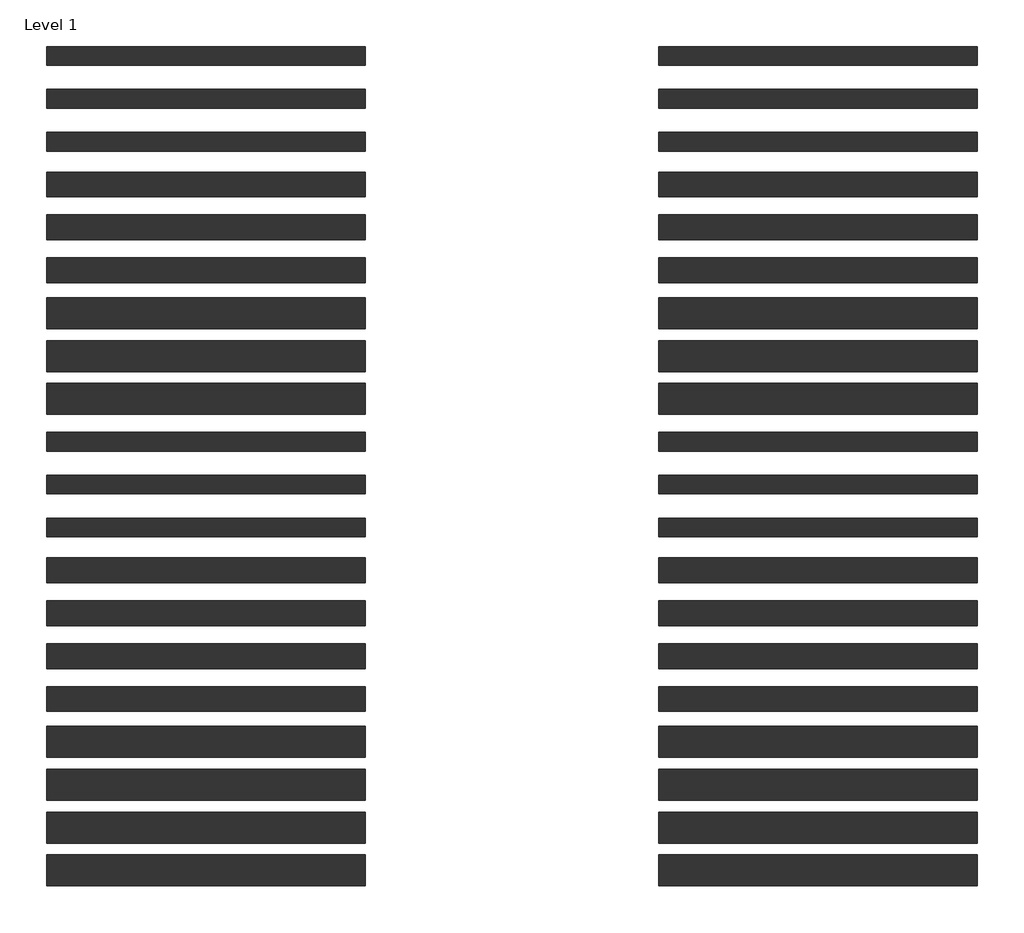
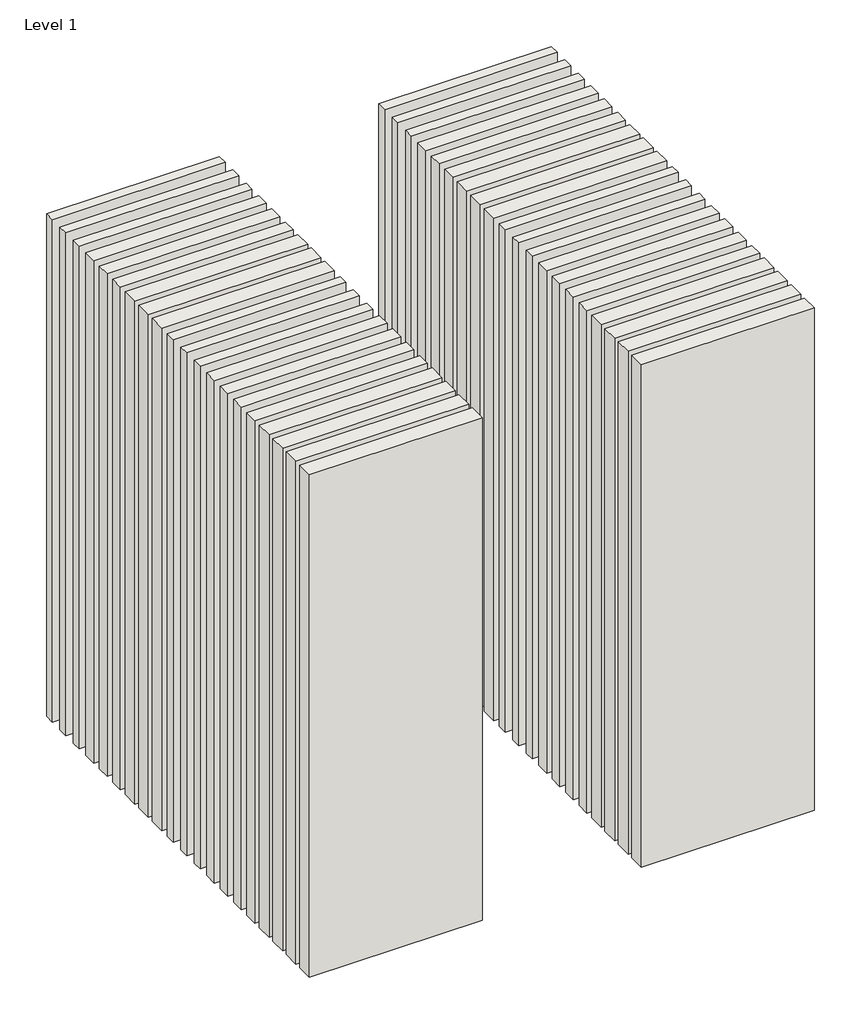
# One storey: 40 walls.
"""IFC4 building model written with IfcOpenShell, lengths in millimetres."""

from ifc_helpers import new_model, si_unit, origin, origin_with_axes, place, context, project, spatial, polyline, outline, extrude, element, save

model = new_model("IFC4")

# Units and contexts
model_context = context("Model", 3, world=origin())
ifc_project = project(units=[si_unit("LENGTHUNIT", "METRE", prefix="MILLI")], contexts=[model_context])

# Site, building, storey
site = spatial("IfcSite", under=ifc_project)
building = spatial("IfcBuilding", under=site)
storey = spatial("IfcBuildingStorey", under=building, Name="Level 1", Elevation=0.0)

# Walls
placement = place(None, origin())
element("IfcWall", 1, at=placement, inside=storey, context=model_context, shape_type="SweptSolid", body=[
    extrude(outline(polyline([(-16904.1464237, 3659.9042935), (-19504.1464237, 3659.9042935), (-19504.1464237, 3812.9042935), (-16904.1464237, 3812.9042935), (-16904.1464237, 3659.9042935)])), origin_with_axes(), (0.0, 0.0, 1.0), 8000.0),
])
element("IfcWall", 2, at=placement, inside=storey, context=model_context, shape_type="SweptSolid", body=[
    extrude(outline(polyline([(-16904.1464237, 3309.9042935), (-19504.1464237, 3309.9042935), (-19504.1464237, 3462.9042935), (-16904.1464237, 3462.9042935), (-16904.1464237, 3309.9042935)])), origin_with_axes(), (0.0, 0.0, 1.0), 8000.0),
])
element("IfcWall", 3, at=placement, inside=storey, context=model_context, shape_type="SweptSolid", body=[
    extrude(outline(polyline([(-16904.1464237, 2959.9042935), (-19504.1464237, 2959.9042935), (-19504.1464237, 3112.9042935), (-16904.1464237, 3112.9042935), (-16904.1464237, 2959.9042935)])), origin_with_axes(), (0.0, 0.0, 1.0), 8000.0),
])
element("IfcWall", 4, at=placement, inside=storey, context=model_context, shape_type="SweptSolid", body=[
    extrude(outline(polyline([(-16904.1464237, 2584.9042935), (-19504.1464237, 2584.9042935), (-19504.1464237, 2787.9042935), (-16904.1464237, 2787.9042935), (-16904.1464237, 2584.9042935)])), origin_with_axes(), (0.0, 0.0, 1.0), 8000.0),
])
element("IfcWall", 5, at=placement, inside=storey, context=model_context, shape_type="SweptSolid", body=[
    extrude(outline(polyline([(-16904.1464237, 2234.9042935), (-19504.1464237, 2234.9042935), (-19504.1464237, 2437.9042935), (-16904.1464237, 2437.9042935), (-16904.1464237, 2234.9042935)])), origin_with_axes(), (0.0, 0.0, 1.0), 8000.0),
])
element("IfcWall", 6, at=placement, inside=storey, context=model_context, shape_type="SweptSolid", body=[
    extrude(outline(polyline([(-16904.1464237, 1884.9042935), (-19504.1464237, 1884.9042935), (-19504.1464237, 2087.9042935), (-16904.1464237, 2087.9042935), (-16904.1464237, 1884.9042935)])), origin_with_axes(), (0.0, 0.0, 1.0), 8000.0),
])
element("IfcWall", 7, at=placement, inside=storey, context=model_context, shape_type="SweptSolid", body=[
    extrude(outline(polyline([(-16904.1464237, 1509.9042935), (-19504.1464237, 1509.9042935), (-19504.1464237, 1762.9042935), (-16904.1464237, 1762.9042935), (-16904.1464237, 1509.9042935)])), origin_with_axes(), (0.0, 0.0, 1.0), 8000.0),
])
element("IfcWall", 8, at=placement, inside=storey, context=model_context, shape_type="SweptSolid", body=[
    extrude(outline(polyline([(-16904.1464237, 1159.9042935), (-19504.1464237, 1159.9042935), (-19504.1464237, 1412.9042935), (-16904.1464237, 1412.9042935), (-16904.1464237, 1159.9042935)])), origin_with_axes(), (0.0, 0.0, 1.0), 8000.0),
])
element("IfcWall", 9, at=placement, inside=storey, context=model_context, shape_type="SweptSolid", body=[
    extrude(outline(polyline([(-16904.1464237, 809.9042935), (-19504.1464237, 809.9042935), (-19504.1464237, 1062.9042935), (-16904.1464237, 1062.9042935), (-16904.1464237, 809.9042935)])), origin_with_axes(), (0.0, 0.0, 1.0), 8000.0),
])
element("IfcWall", 10, at=placement, inside=storey, context=model_context, shape_type="SweptSolid", body=[
    extrude(outline(polyline([(-16904.1464237, 509.9042935), (-19504.1464237, 509.9042935), (-19504.1464237, 662.9042935), (-16904.1464237, 662.9042935), (-16904.1464237, 509.9042935)])), origin_with_axes(), (0.0, 0.0, 1.0), 8000.0),
])
element("IfcWall", 11, at=placement, inside=storey, context=model_context, shape_type="SweptSolid", body=[
    extrude(outline(polyline([(-16904.1464237, 159.9042935), (-19504.1464237, 159.9042935), (-19504.1464237, 312.9042935), (-16904.1464237, 312.9042935), (-16904.1464237, 159.9042935)])), origin_with_axes(), (0.0, 0.0, 1.0), 8000.0),
])
element("IfcWall", 12, at=placement, inside=storey, context=model_context, shape_type="SweptSolid", body=[
    extrude(outline(polyline([(-16904.1464237, -190.0957065), (-19504.1464237, -190.0957065), (-19504.1464237, -37.0957065), (-16904.1464237, -37.0957065), (-16904.1464237, -190.0957065)])), origin_with_axes(), (0.0, 0.0, 1.0), 8000.0),
])
element("IfcWall", 13, at=placement, inside=storey, context=model_context, shape_type="SweptSolid", body=[
    extrude(outline(polyline([(-16904.1464237, -565.0957065), (-19504.1464237, -565.0957065), (-19504.1464237, -362.0957065), (-16904.1464237, -362.0957065), (-16904.1464237, -565.0957065)])), origin_with_axes(), (0.0, 0.0, 1.0), 8000.0),
])
element("IfcWall", 14, at=placement, inside=storey, context=model_context, shape_type="SweptSolid", body=[
    extrude(outline(polyline([(-16904.1464237, -915.0957065), (-19504.1464237, -915.0957065), (-19504.1464237, -712.0957065), (-16904.1464237, -712.0957065), (-16904.1464237, -915.0957065)])), origin_with_axes(), (0.0, 0.0, 1.0), 8000.0),
])
element("IfcWall", 15, at=placement, inside=storey, context=model_context, shape_type="SweptSolid", body=[
    extrude(outline(polyline([(-16904.1464237, -1265.0957065), (-19504.1464237, -1265.0957065), (-19504.1464237, -1062.0957065), (-16904.1464237, -1062.0957065), (-16904.1464237, -1265.0957065)])), origin_with_axes(), (0.0, 0.0, 1.0), 8000.0),
])
element("IfcWall", 16, at=placement, inside=storey, context=model_context, shape_type="SweptSolid", body=[
    extrude(outline(polyline([(-16904.1464237, -1990.0957065), (-19504.1464237, -1990.0957065), (-19504.1464237, -1737.0957065), (-16904.1464237, -1737.0957065), (-16904.1464237, -1990.0957065)])), origin_with_axes(), (0.0, 0.0, 1.0), 8000.0),
])
element("IfcWall", 17, at=placement, inside=storey, context=model_context, shape_type="SweptSolid", body=[
    extrude(outline(polyline([(-16904.1464237, -2340.0957065), (-19504.1464237, -2340.0957065), (-19504.1464237, -2087.0957065), (-16904.1464237, -2087.0957065), (-16904.1464237, -2340.0957065)])), origin_with_axes(), (0.0, 0.0, 1.0), 8000.0),
])
element("IfcWall", 18, at=placement, inside=storey, context=model_context, shape_type="SweptSolid", body=[
    extrude(outline(polyline([(-16904.1464237, -2690.0957065), (-19504.1464237, -2690.0957065), (-19504.1464237, -2437.0957065), (-16904.1464237, -2437.0957065), (-16904.1464237, -2690.0957065)])), origin_with_axes(), (0.0, 0.0, 1.0), 8000.0),
])
element("IfcWall", 19, at=placement, inside=storey, context=model_context, shape_type="SweptSolid", body=[
    extrude(outline(polyline([(-16904.1464237, -1615.0957065), (-19504.1464237, -1615.0957065), (-19504.1464237, -1412.0957065), (-16904.1464237, -1412.0957065), (-16904.1464237, -1615.0957065)])), origin_with_axes(), (0.0, 0.0, 1.0), 8000.0),
])
element("IfcWall", 20, at=placement, inside=storey, context=model_context, shape_type="SweptSolid", body=[
    extrude(outline(polyline([(-16904.1464237, -3040.0957065), (-19504.1464237, -3040.0957065), (-19504.1464237, -2787.0957065), (-16904.1464237, -2787.0957065), (-16904.1464237, -3040.0957065)])), origin_with_axes(), (0.0, 0.0, 1.0), 8000.0),
])
element("IfcWall", 21, at=placement, inside=storey, context=model_context, shape_type="SweptSolid", body=[
    extrude(outline(polyline([(-11904.1464237, 3659.9042935), (-14504.1464237, 3659.9042935), (-14504.1464237, 3812.9042935), (-11904.1464237, 3812.9042935), (-11904.1464237, 3659.9042935)])), origin_with_axes(), (0.0, 0.0, 1.0), 8000.0),
])
element("IfcWall", 22, at=placement, inside=storey, context=model_context, shape_type="SweptSolid", body=[
    extrude(outline(polyline([(-11904.1464237, 3309.9042935), (-14504.1464237, 3309.9042935), (-14504.1464237, 3462.9042935), (-11904.1464237, 3462.9042935), (-11904.1464237, 3309.9042935)])), origin_with_axes(), (0.0, 0.0, 1.0), 8000.0),
])
element("IfcWall", 23, at=placement, inside=storey, context=model_context, shape_type="SweptSolid", body=[
    extrude(outline(polyline([(-11904.1464237, 2959.9042935), (-14504.1464237, 2959.9042935), (-14504.1464237, 3112.9042935), (-11904.1464237, 3112.9042935), (-11904.1464237, 2959.9042935)])), origin_with_axes(), (0.0, 0.0, 1.0), 8000.0),
])
element("IfcWall", 24, at=placement, inside=storey, context=model_context, shape_type="SweptSolid", body=[
    extrude(outline(polyline([(-11904.1464237, 2584.9042935), (-14504.1464237, 2584.9042935), (-14504.1464237, 2787.9042935), (-11904.1464237, 2787.9042935), (-11904.1464237, 2584.9042935)])), origin_with_axes(), (0.0, 0.0, 1.0), 8000.0),
])
element("IfcWall", 25, at=placement, inside=storey, context=model_context, shape_type="SweptSolid", body=[
    extrude(outline(polyline([(-11904.1464237, 2234.9042935), (-14504.1464237, 2234.9042935), (-14504.1464237, 2437.9042935), (-11904.1464237, 2437.9042935), (-11904.1464237, 2234.9042935)])), origin_with_axes(), (0.0, 0.0, 1.0), 8000.0),
])
element("IfcWall", 26, at=placement, inside=storey, context=model_context, shape_type="SweptSolid", body=[
    extrude(outline(polyline([(-11904.1464237, 1884.9042935), (-14504.1464237, 1884.9042935), (-14504.1464237, 2087.9042935), (-11904.1464237, 2087.9042935), (-11904.1464237, 1884.9042935)])), origin_with_axes(), (0.0, 0.0, 1.0), 8000.0),
])
element("IfcWall", 27, at=placement, inside=storey, context=model_context, shape_type="SweptSolid", body=[
    extrude(outline(polyline([(-11904.1464237, 1509.9042935), (-14504.1464237, 1509.9042935), (-14504.1464237, 1762.9042935), (-11904.1464237, 1762.9042935), (-11904.1464237, 1509.9042935)])), origin_with_axes(), (0.0, 0.0, 1.0), 8000.0),
])
element("IfcWall", 28, at=placement, inside=storey, context=model_context, shape_type="SweptSolid", body=[
    extrude(outline(polyline([(-11904.1464237, 1159.9042935), (-14504.1464237, 1159.9042935), (-14504.1464237, 1412.9042935), (-11904.1464237, 1412.9042935), (-11904.1464237, 1159.9042935)])), origin_with_axes(), (0.0, 0.0, 1.0), 8000.0),
])
element("IfcWall", 29, at=placement, inside=storey, context=model_context, shape_type="SweptSolid", body=[
    extrude(outline(polyline([(-11904.1464237, 809.9042935), (-14504.1464237, 809.9042935), (-14504.1464237, 1062.9042935), (-11904.1464237, 1062.9042935), (-11904.1464237, 809.9042935)])), origin_with_axes(), (0.0, 0.0, 1.0), 8000.0),
])
element("IfcWall", 30, at=placement, inside=storey, context=model_context, shape_type="SweptSolid", body=[
    extrude(outline(polyline([(-11904.1464237, 509.9042935), (-14504.1464237, 509.9042935), (-14504.1464237, 662.9042935), (-11904.1464237, 662.9042935), (-11904.1464237, 509.9042935)])), origin_with_axes(), (0.0, 0.0, 1.0), 8000.0),
])
element("IfcWall", 31, at=placement, inside=storey, context=model_context, shape_type="SweptSolid", body=[
    extrude(outline(polyline([(-11904.1464237, 159.9042935), (-14504.1464237, 159.9042935), (-14504.1464237, 312.9042935), (-11904.1464237, 312.9042935), (-11904.1464237, 159.9042935)])), origin_with_axes(), (0.0, 0.0, 1.0), 8000.0),
])
element("IfcWall", 32, at=placement, inside=storey, context=model_context, shape_type="SweptSolid", body=[
    extrude(outline(polyline([(-11904.1464237, -190.0957065), (-14504.1464237, -190.0957065), (-14504.1464237, -37.0957065), (-11904.1464237, -37.0957065), (-11904.1464237, -190.0957065)])), origin_with_axes(), (0.0, 0.0, 1.0), 8000.0),
])
element("IfcWall", 33, at=placement, inside=storey, context=model_context, shape_type="SweptSolid", body=[
    extrude(outline(polyline([(-11904.1464237, -565.0957065), (-14504.1464237, -565.0957065), (-14504.1464237, -362.0957065), (-11904.1464237, -362.0957065), (-11904.1464237, -565.0957065)])), origin_with_axes(), (0.0, 0.0, 1.0), 8000.0),
])
element("IfcWall", 34, at=placement, inside=storey, context=model_context, shape_type="SweptSolid", body=[
    extrude(outline(polyline([(-11904.1464237, -915.0957065), (-14504.1464237, -915.0957065), (-14504.1464237, -712.0957065), (-11904.1464237, -712.0957065), (-11904.1464237, -915.0957065)])), origin_with_axes(), (0.0, 0.0, 1.0), 8000.0),
])
element("IfcWall", 35, at=placement, inside=storey, context=model_context, shape_type="SweptSolid", body=[
    extrude(outline(polyline([(-11904.1464237, -1265.0957065), (-14504.1464237, -1265.0957065), (-14504.1464237, -1062.0957065), (-11904.1464237, -1062.0957065), (-11904.1464237, -1265.0957065)])), origin_with_axes(), (0.0, 0.0, 1.0), 8000.0),
])
element("IfcWall", 36, at=placement, inside=storey, context=model_context, shape_type="SweptSolid", body=[
    extrude(outline(polyline([(-11904.1464237, -1990.0957065), (-14504.1464237, -1990.0957065), (-14504.1464237, -1737.0957065), (-11904.1464237, -1737.0957065), (-11904.1464237, -1990.0957065)])), origin_with_axes(), (0.0, 0.0, 1.0), 8000.0),
])
element("IfcWall", 37, at=placement, inside=storey, context=model_context, shape_type="SweptSolid", body=[
    extrude(outline(polyline([(-11904.1464237, -2340.0957065), (-14504.1464237, -2340.0957065), (-14504.1464237, -2087.0957065), (-11904.1464237, -2087.0957065), (-11904.1464237, -2340.0957065)])), origin_with_axes(), (0.0, 0.0, 1.0), 8000.0),
])
element("IfcWall", 38, at=placement, inside=storey, context=model_context, shape_type="SweptSolid", body=[
    extrude(outline(polyline([(-11904.1464237, -2690.0957065), (-14504.1464237, -2690.0957065), (-14504.1464237, -2437.0957065), (-11904.1464237, -2437.0957065), (-11904.1464237, -2690.0957065)])), origin_with_axes(), (0.0, 0.0, 1.0), 8000.0),
])
element("IfcWall", 39, at=placement, inside=storey, context=model_context, shape_type="SweptSolid", body=[
    extrude(outline(polyline([(-11904.1464237, -1615.0957065), (-14504.1464237, -1615.0957065), (-14504.1464237, -1412.0957065), (-11904.1464237, -1412.0957065), (-11904.1464237, -1615.0957065)])), origin_with_axes(), (0.0, 0.0, 1.0), 8000.0),
])
element("IfcWall", 40, at=placement, inside=storey, context=model_context, shape_type="SweptSolid", body=[
    extrude(outline(polyline([(-11904.1464237, -3040.0957065), (-14504.1464237, -3040.0957065), (-14504.1464237, -2787.0957065), (-11904.1464237, -2787.0957065), (-11904.1464237, -3040.0957065)])), origin_with_axes(), (0.0, 0.0, 1.0), 8000.0),
])

save(model, "model.ifc")
